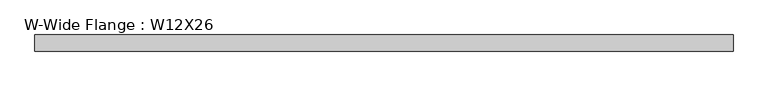
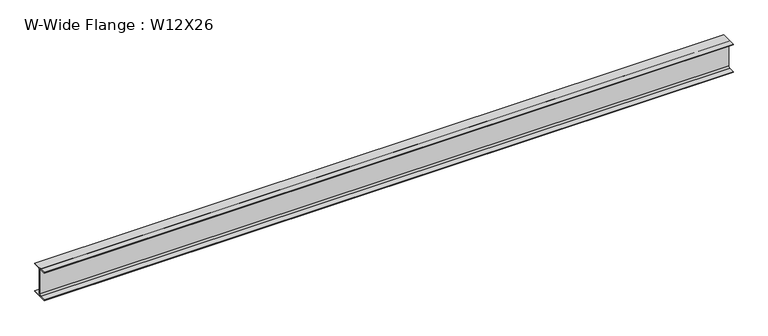
"""IFC4 building model written with IfcOpenShell, lengths in millimetres: beam geometry, W-Wide Flange : W12X26."""

from ifc_helpers import new_model, si_unit, point, frame, frame_2d, origin, place, context, project, spatial, polyline, circle_curve, trimmed, segment, composite_curve, outline, extrude, source, transform, mapped, element, save


def w_wide_flange_w12x26_c11a169e(model_context):
    return source(origin(), model_context, "Body", "SweptSolid", [
        extrude(outline(composite_curve([segment(polyline([(82.4011719, -145.5539063), (82.4011719, -155.178125), (-82.4011719, -155.178125), (-82.4011719, -145.5539063), (-20.2902344, -145.5539063)]), True, "CONTINUOUS"), segment(trimmed(circle_curve(frame_2d((-20.2902344, -128.190625)), 17.3632812), [point((-20.2902344, -145.5539063))], [point((-2.9269531, -128.190625))], True, "CARTESIAN"), True, "CONTINUOUS"), segment(polyline([(-2.9269531, -128.190625), (-2.9269531, 128.190625)]), True, "CONTINUOUS"), segment(trimmed(circle_curve(frame_2d((-20.2902344, 128.190625)), 17.3632812), [point((-2.9269531, 128.190625))], [point((-20.2902344, 145.5539062))], True, "CARTESIAN"), True, "CONTINUOUS"), segment(polyline([(-20.2902344, 145.5539062), (-82.4011719, 145.5539062), (-82.4011719, 155.178125), (82.4011719, 155.178125), (82.4011719, 145.5539062), (20.2902344, 145.5539062)]), True, "CONTINUOUS"), segment(trimmed(circle_curve(frame_2d((20.2902344, 128.190625)), 17.3632812), [point((20.2902344, 145.5539062))], [point((2.9269531, 128.190625))], True, "CARTESIAN"), True, "CONTINUOUS"), segment(polyline([(2.9269531, 128.190625), (2.9269531, -128.190625)]), True, "CONTINUOUS"), segment(trimmed(circle_curve(frame_2d((20.2902344, -128.190625)), 17.3632812), [point((2.9269531, -128.190625))], [point((20.2902344, -145.5539063))], True, "CARTESIAN"), True, "CONTINUOUS"), segment(polyline([(20.2902344, -145.5539063), (82.4011719, -145.5539063)]), True, "CONTINUOUS")], self_intersect=False)), frame((-3559.175, 0.0, 0.0), z_axis=(1.0, 0.0, 0.0), x_axis=(0.0, 1.0, 0.0)), (0.0, 0.0, 1.0), 7118.35),
    ])


if __name__ == "__main__":
    model = new_model("IFC4")
    model_context = context("Model", 3, world=origin())
    ifc_project = project(units=[si_unit("LENGTHUNIT", "METRE", prefix="MILLI")], contexts=[model_context])
    site = spatial("IfcSite", under=ifc_project)
    building = spatial("IfcBuilding", under=site)
    placement = place(None, origin())
    w_wide_flange_w12x26_shape = w_wide_flange_w12x26_c11a169e(model_context)
    element("IfcBeam", 1, ObjectType="W-Wide Flange : W12X26", at=placement, inside=building, context=model_context, shape_type="MappedRepresentation", body=[
        mapped(w_wide_flange_w12x26_shape, transform((0.0, 0.0, 0.0), x_axis=(1.0, 0.0, 0.0), y_axis=(0.0, 1.0, 0.0), z_axis=(0.0, 0.0, 1.0))),
    ])
    save(model, "model.ifc")
